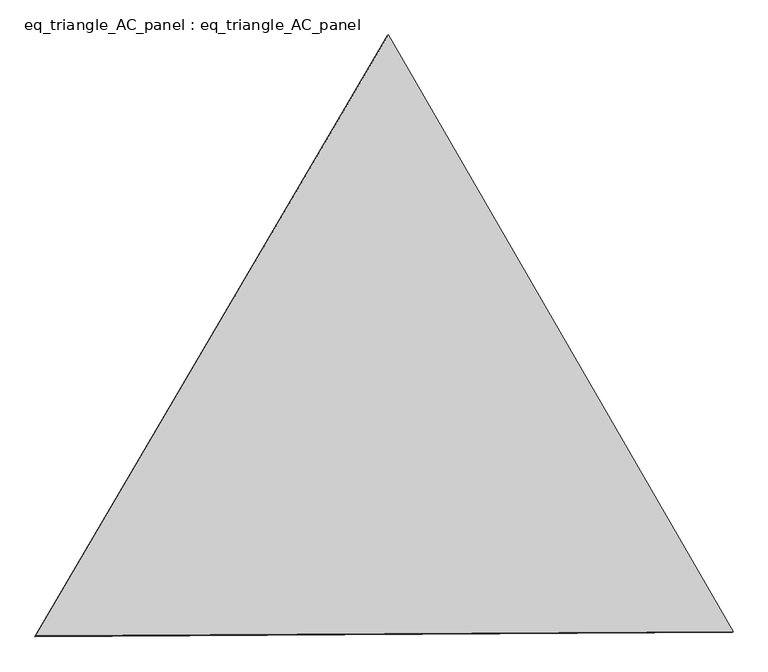
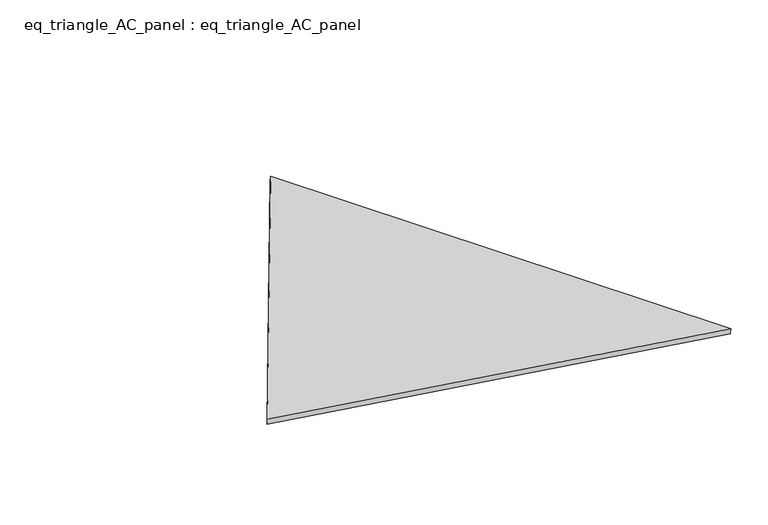
"""IFC4 building model written with IfcOpenShell, lengths in millimetres: proxy geometry, eq_triangle_AC_panel : eq_triangle_AC_panel."""

from ifc_helpers import new_model, si_unit, frame, origin, place, context, project, spatial, polyline, outline, extrude, source, transform, mapped, element, save


def eq_triangle_ac_panel_eq_triangle_ac_panel_2f85eb4d(model_context):
    return source(origin(), model_context, "Body", "SweptSolid", [
        extrude(outline(polyline([(-2017.9541325, 1198.8632527), (2017.8201216, 1198.8632527), (0.1340108, -2397.7265054), (-2017.9541325, 1198.8632527)])), frame((0.0038051, 527.9290861, 89.8240019), z_axis=(0.14526328518058187, 0.08386570281802212, 0.9858321976225894), x_axis=(0.49995505197483237, -0.8660513529554507, 6.991148830115639e-06)), (0.0, 0.0, 1.0), 43.8306294),
    ])


if __name__ == "__main__":
    model = new_model("IFC4")
    model_context = context("Model", 3, world=origin())
    ifc_project = project(units=[si_unit("LENGTHUNIT", "METRE", prefix="MILLI")], contexts=[model_context])
    site = spatial("IfcSite", under=ifc_project)
    building = spatial("IfcBuilding", under=site)
    placement = place(None, origin())
    eq_triangle_ac_panel_eq_triangle_ac_panel_shape = eq_triangle_ac_panel_eq_triangle_ac_panel_2f85eb4d(model_context)
    element("IfcBuildingElementProxy", 1, Name="eq_triangle_AC_panel : eq_triangle_AC_panel", ObjectType="eq_triangle_AC_panel : eq_triangle_AC_panel", at=placement, inside=building, context=model_context, shape_type="MappedRepresentation", body=[
        mapped(eq_triangle_ac_panel_eq_triangle_ac_panel_shape, transform((0.0, 0.0, 0.0), x_axis=(1.0, 0.0, 0.0), y_axis=(0.0, 1.0, 0.0), z_axis=(0.0, 0.0, 1.0))),
    ])
    save(model, "model.ifc")
